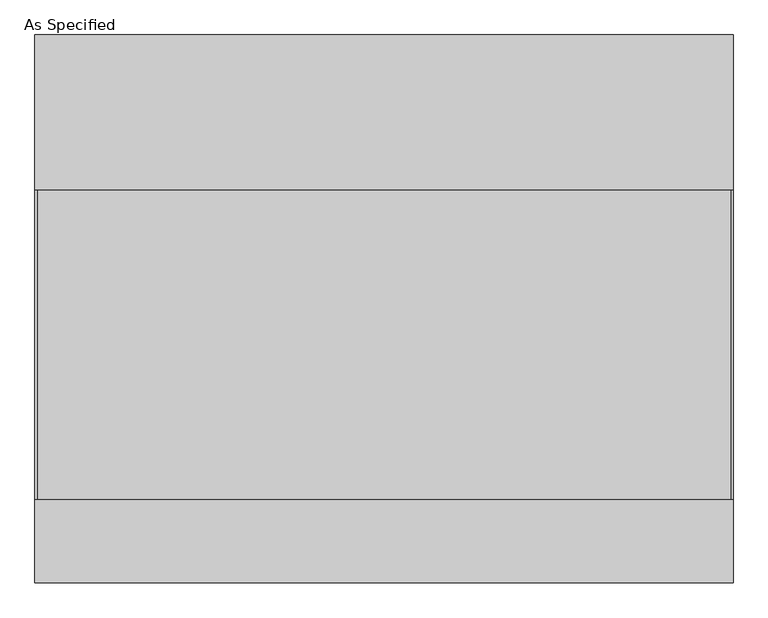
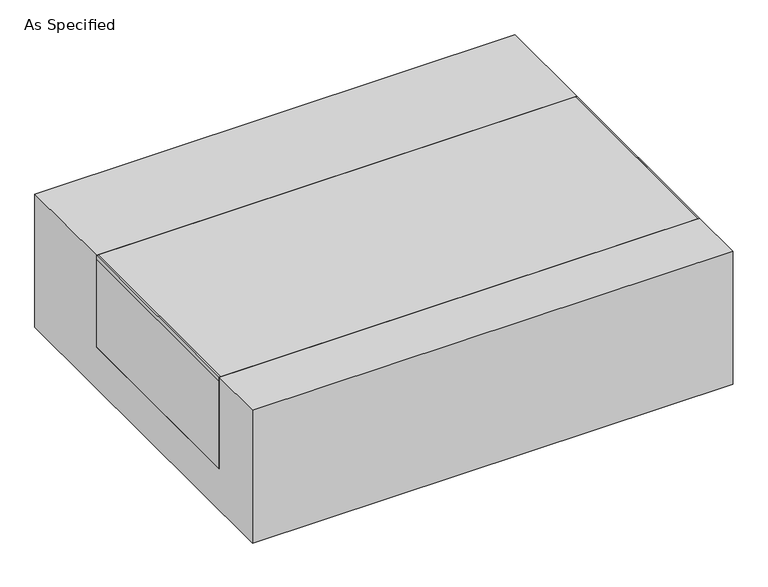
"""IFC4 building model written with IfcOpenShell, lengths in millimetres: proxy geometry, As Specified."""

import ifcopenshell
import ifcopenshell.guid

model = None  # the IFC model being written
_history = None  # IfcOwnerHistory: only IFC2X3 demands one
_inside = {}  # id of a spatial element -> (the spatial element, [elements in it])
_under = {}  # id of a project, library or spatial element -> (it, [spatial elements below it])
_declared = {}  # id of a project -> (the project, [libraries it declares])
_typed = {}  # id of a type object -> (the type object, [elements of that type])
_made_of = {}  # id of a material, layer set ... -> (it, [elements and type objects made of it])


def new_model(schema):
    """Start an empty IFC model of exactly this schema.

    Asked for "IFC4X3", IfcOpenShell would pick the latest addendum, in which some entities
    have other attributes; the version numbers below select the first issue.
    IFC2X3 requires an IfcOwnerHistory on every rooted entity: one is made here for all.
    """
    global model, _history
    if schema == "IFC4X3":
        model = ifcopenshell.file(schema_version=(4, 3, 0, 0))
    else:
        model = ifcopenshell.file(schema=schema)
    _inside.clear()
    _under.clear()
    _declared.clear()
    _typed.clear()
    _made_of.clear()
    _history = None
    if model.schema == "IFC2X3":
        org = make("IfcOrganization", Name="unknown")
        user = make(
            "IfcPersonAndOrganization",
            ThePerson=make("IfcPerson", FamilyName="unknown"),
            TheOrganization=org,
        )
        app = make(
            "IfcApplication",
            ApplicationDeveloper=org,
            Version="unknown",
            ApplicationFullName="unknown",
            ApplicationIdentifier="unknown",
        )
        _history = make(
            "IfcOwnerHistory",
            OwningUser=user,
            OwningApplication=app,
            ChangeAction="ADDED",
            CreationDate=0,
        )
    return model


def make(cls, **values):
    """One entity of the class cls with the attributes given. An attribute that is None is left unset."""
    return model.create_entity(
        cls, **{name: value for name, value in values.items() if value is not None}
    )


def rooted(cls, **values):
    """An entity with a GlobalId (a new one), such as an element, a storey or a relation."""
    return make(cls, GlobalId=ifcopenshell.guid.new(), OwnerHistory=_history, **values)


def si_unit(unit_type, name, prefix=None):
    """IfcSIUnit, for example si_unit("LENGTHUNIT", "METRE", prefix="MILLI")."""
    return make("IfcSIUnit", UnitType=unit_type, Prefix=prefix, Name=name)


def assignment(units):
    """IfcUnitAssignment: the units of a project."""
    return None if units is None else make("IfcUnitAssignment", Units=units)


def point(xyz):
    """IfcCartesianPoint."""
    return None if xyz is None else make("IfcCartesianPoint", Coordinates=xyz)


def direction(xyz):
    """IfcDirection."""
    return None if xyz is None else make("IfcDirection", DirectionRatios=xyz)


def frame(location, z_axis=None, x_axis=None):
    """IfcAxis2Placement3D, a coordinate frame: its origin and axes. An axis left out is left unset."""
    return make(
        "IfcAxis2Placement3D",
        Location=point(location),
        Axis=direction(z_axis),
        RefDirection=direction(x_axis),
    )


def frame_2d(location, x_axis=None):
    """IfcAxis2Placement2D, a coordinate frame in the plane: its origin and x axis."""
    return make(
        "IfcAxis2Placement2D", Location=point(location), RefDirection=direction(x_axis)
    )


def origin():
    """The frame at (0, 0, 0) with its axes left unset."""
    return frame((0.0, 0.0, 0.0))


def place(relative_to, where):
    """IfcLocalPlacement: puts the frame where relative to a parent placement (None: the world)."""
    return make(
        "IfcLocalPlacement", PlacementRelTo=relative_to, RelativePlacement=where
    )


def context(
    kind, dimensions, precision=None, world=None, true_north=None, identifier=None
):
    """IfcGeometricRepresentationContext, for example the 3D "Model" context."""
    return make(
        "IfcGeometricRepresentationContext",
        ContextIdentifier=identifier,
        ContextType=kind,
        CoordinateSpaceDimension=dimensions,
        Precision=precision,
        WorldCoordinateSystem=world,
        TrueNorth=true_north,
    )


def project(units=None, contexts=None):
    """IfcProject with its units and contexts."""
    return rooted(
        "IfcProject",
        Name="project",
        RepresentationContexts=contexts,
        UnitsInContext=assignment(units),
    )


def spatial(cls, under=None, at=None, **own):
    """A site, building, storey or space (cls), placed at a placement, below another one or the project."""
    s = rooted(cls, ObjectPlacement=at, **own)
    if under is not None:
        _under.setdefault(under.id(), (under, []))[1].append(s)
    return s


def polyline(points):
    """IfcPolyline through the points."""
    return make("IfcPolyline", Points=[point(p) for p in points])


def circle_curve(where, radius):
    """IfcCircle in the frame where."""
    return make("IfcCircle", Position=where, Radius=radius)


def trimmed(basis, trim1, trim2, sense, master):
    """IfcTrimmedCurve: the piece of a basis curve between two trims."""
    return make(
        "IfcTrimmedCurve",
        BasisCurve=basis,
        Trim1=trim1,
        Trim2=trim2,
        SenseAgreement=sense,
        MasterRepresentation=master,
    )


def segment(curve, same_sense, transition):
    """IfcCompositeCurveSegment."""
    return make(
        "IfcCompositeCurveSegment",
        Transition=transition,
        SameSense=same_sense,
        ParentCurve=curve,
    )


def composite_curve(segments, self_intersect=None):
    """IfcCompositeCurve: segments joined end to end."""
    return make("IfcCompositeCurve", Segments=segments, SelfIntersect=self_intersect)


def outline(outer, holes=None, kind="AREA"):
    """IfcArbitraryClosedProfileDef: a profile drawn as a closed curve; with holes, ...WithVoids."""
    if holes is None:
        return make("IfcArbitraryClosedProfileDef", ProfileType=kind, OuterCurve=outer)
    return make(
        "IfcArbitraryProfileDefWithVoids",
        ProfileType=kind,
        OuterCurve=outer,
        InnerCurves=holes,
    )


def extrude(swept, where, along, depth):
    """IfcExtrudedAreaSolid: the profile swept, set in the frame where, extruded along a direction by depth."""
    return make(
        "IfcExtrudedAreaSolid",
        SweptArea=swept,
        Position=where,
        ExtrudedDirection=direction(along),
        Depth=depth,
    )


def shape(context_of_items, identifier, shape_type, items):
    """IfcShapeRepresentation: the items that make up one representation, for example the "Body"."""
    return make(
        "IfcShapeRepresentation",
        ContextOfItems=context_of_items,
        RepresentationIdentifier=identifier,
        RepresentationType=shape_type,
        Items=items,
    )


def source(mapping_origin, context_of_items, identifier, shape_type, items):
    """IfcRepresentationMap: a shape defined once, which mapped items show again and again."""
    return make(
        "IfcRepresentationMap",
        MappingOrigin=mapping_origin,
        MappedRepresentation=shape(context_of_items, identifier, shape_type, items),
    )


def transform(
    local_origin,
    x_axis=None,
    y_axis=None,
    z_axis=None,
    scale=None,
    scale2=None,
    scale3=None,
    uniform=True,
):
    """IfcCartesianTransformationOperator3D, or its non-uniform kind. x_axis, y_axis, z_axis: its Axis1, 2, 3."""
    if uniform:
        return make(
            "IfcCartesianTransformationOperator3D",
            Axis1=direction(x_axis),
            Axis2=direction(y_axis),
            LocalOrigin=point(local_origin),
            Scale=scale,
            Axis3=direction(z_axis),
        )
    return make(
        "IfcCartesianTransformationOperator3DnonUniform",
        Axis1=direction(x_axis),
        Axis2=direction(y_axis),
        LocalOrigin=point(local_origin),
        Scale=scale,
        Axis3=direction(z_axis),
        Scale2=scale2,
        Scale3=scale3,
    )


def mapped(mapping_source, mapping_target):
    """IfcMappedItem: shows the shape of a source again, moved by a transform."""
    return make(
        "IfcMappedItem", MappingSource=mapping_source, MappingTarget=mapping_target
    )


def made_of(thing, what):
    """Note that an element or type object is made of a material, layer set ...; save() writes the relation."""
    if what is not None:
        _made_of.setdefault(what.id(), (what, []))[1].append(thing)
    return thing


def element(
    cls,
    number,
    at=None,
    inside=None,
    cuts=None,
    type_object=None,
    material=None,
    context=None,
    identifier="Body",
    shape_type=None,
    held_by="IfcProductDefinitionShape",
    body=None,
    shapes=None,
    **own,
):
    """One element of the class cls, such as IfcWall. Its Tag is "e" and its number.

    at: its placement. inside: the storey or other place that contains it. cuts: it is an
    opening in that element (IfcRelVoidsElement). A single representation is given by context,
    identifier, shape_type and body (its items); several are given by shapes. held_by: the class
    of the entity that holds the representations. save() writes the other relations.
    """
    e = rooted(cls, Tag="e%d" % number, ObjectPlacement=at, **own)
    if body is not None:
        shapes = [shape(context, identifier, shape_type, body)]
    if shapes is not None:
        e.Representation = make(held_by, Representations=shapes)
    if inside is not None:
        _inside.setdefault(inside.id(), (inside, []))[1].append(e)
    if cuts is not None:
        rooted(
            "IfcRelVoidsElement", RelatingBuildingElement=cuts, RelatedOpeningElement=e
        )
    if type_object is not None:
        _typed.setdefault(type_object.id(), (type_object, []))[1].append(e)
    return made_of(e, material)


def aggregate(whole, parts):
    """IfcRelAggregates: a whole, such as a stair, and the parts it consists of."""
    return rooted("IfcRelAggregates", RelatingObject=whole, RelatedObjects=parts)


def save(model, path):
    """Write the relations noted so far, then the file.

    IfcRelAggregates (storeys below a building ...), IfcRelContainedInSpatialStructure (elements
    in a storey), IfcRelDefinesByType, IfcRelAssociatesMaterial and IfcRelDeclares: one each for
    every whole, place, type object, material and project.
    """
    for whole, parts in _under.values():
        aggregate(whole, parts)
    for where, things in _inside.values():
        rooted(
            "IfcRelContainedInSpatialStructure",
            RelatedElements=things,
            RelatingStructure=where,
        )
    for kind, things in _typed.values():
        rooted("IfcRelDefinesByType", RelatedObjects=things, RelatingType=kind)
    for what, things in _made_of.values():
        rooted("IfcRelAssociatesMaterial", RelatedObjects=things, RelatingMaterial=what)
    for by, libraries in _declared.values():
        rooted("IfcRelDeclares", RelatingContext=by, RelatedDefinitions=libraries)
    model.write(path)


def as_specified_3eb57210(model_context):
    return source(origin(), model_context, "Body", "SweptSolid", [
        extrude(outline(composite_curve([segment(trimmed(circle_curve(frame_2d((542.0125, -626.275)), 10.5), [point((542.0125, -636.775))], [point((542.0125, -615.775))], False, "CARTESIAN"), True, "CONTINUOUS"), segment(trimmed(circle_curve(frame_2d((542.0125, -626.275)), 10.5), [point((542.0125, -615.775))], [point((542.0125, -636.775))], False, "CARTESIAN"), True, "CONTINUOUS")], self_intersect=False)), frame((0.0, 0.0, -562.225), z_axis=(0.0, 0.0, 1.0), x_axis=(1.0, 0.0, 0.0)), (0.0, 0.0, 1.0), 32.0),
        extrude(outline(polyline([(-856.45625, -469.9), (-862.0125, -469.9), (-862.0125, 292.1), (-856.45625, 292.1), (-856.45625, -469.9)])), frame((0.0, 0.0, -39.6875), z_axis=(0.0, 0.0, 1.0), x_axis=(1.0, 0.0, 0.0)), (0.0, 0.0, 1.0), 14.2875),
        extrude(outline(polyline([(858.04375, 292.1), (862.0125, 292.1), (862.0125, -469.9), (858.04375, -469.9), (858.04375, 292.1)])), frame((0.0, 0.0, -39.6875), z_axis=(0.0, 0.0, 1.0), x_axis=(1.0, 0.0, 0.0)), (0.0, 0.0, 1.0), 14.2875),
        extrude(outline(polyline([(862.0125, 292.1), (862.0125, -469.9), (-862.0125, -469.9), (-862.0125, 292.1), (862.0125, 292.1)])), frame((0.0, 0.0, -373.0625), z_axis=(0.0, 0.0, 1.0), x_axis=(1.0, 0.0, 0.0)), (0.0, 0.0, 1.0), 347.6625),
        extrude(outline(polyline([(676.275, -25.4), (676.275, -530.225), (-676.275, -530.225), (-676.275, -25.4), (-469.9, -25.4), (-469.9, -373.0625), (292.1, -373.0625), (292.1, -25.4), (676.275, -25.4)])), frame((-862.0125, 0.0, 0.0), z_axis=(1.0, 0.0, 0.0), x_axis=(0.0, 1.0, 0.0)), (0.0, 0.0, 1.0), 1724.025),
    ])


if __name__ == "__main__":
    model = new_model("IFC4")
    model_context = context("Model", 3, world=origin())
    ifc_project = project(units=[si_unit("LENGTHUNIT", "METRE", prefix="MILLI")], contexts=[model_context])
    site = spatial("IfcSite", under=ifc_project)
    building = spatial("IfcBuilding", under=site)
    placement = place(None, origin())
    as_specified_shape = as_specified_3eb57210(model_context)
    element("IfcBuildingElementProxy", 1, Name="As Specified", ObjectType="As Specified", at=placement, inside=building, context=model_context, shape_type="MappedRepresentation", body=[
        mapped(as_specified_shape, transform((0.0, 0.0, 0.0), x_axis=(1.0, 0.0, 0.0), y_axis=(0.0, 1.0, 0.0), z_axis=(0.0, 0.0, 1.0))),
    ])
    save(model, "model.ifc")
